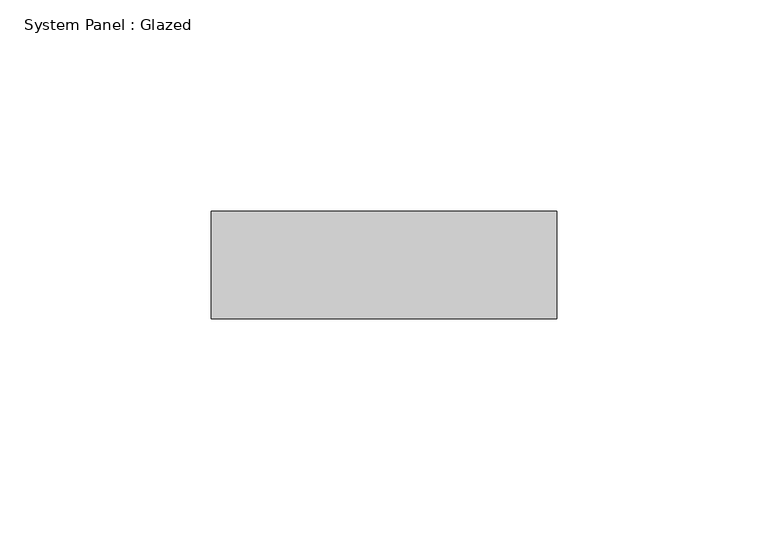
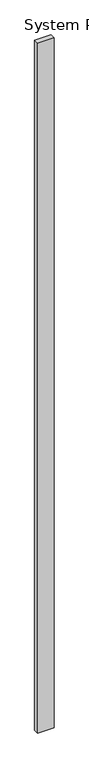
"""IFC4 building model written with IfcOpenShell, lengths in millimetres: plate geometry, System Panel : Glazed."""

from ifc_helpers import new_model, si_unit, origin, origin_with_axes, place, context, project, spatial, polyline, outline, extrude, source, transform, mapped, element, save


def system_panel_glazed_85844b9a(model_context):
    return source(origin(), model_context, "Body", "SweptSolid", [
        extrude(outline(polyline([(40.8354568, 19.05), (-40.8354568, 19.05), (-40.8354568, 44.45), (40.8354568, 44.45), (40.8354568, 19.05)])), origin_with_axes(), (0.0, 0.0, 1.0), 3657.6),
    ])


if __name__ == "__main__":
    model = new_model("IFC4")
    model_context = context("Model", 3, world=origin())
    ifc_project = project(units=[si_unit("LENGTHUNIT", "METRE", prefix="MILLI")], contexts=[model_context])
    site = spatial("IfcSite", under=ifc_project)
    building = spatial("IfcBuilding", under=site)
    placement = place(None, origin())
    system_panel_glazed_shape = system_panel_glazed_85844b9a(model_context)
    element("IfcPlate", 1, ObjectType="System Panel : Glazed", at=placement, inside=building, context=model_context, shape_type="MappedRepresentation", body=[
        mapped(system_panel_glazed_shape, transform((0.0, 0.0, 0.0), x_axis=(1.0, 0.0, 0.0), y_axis=(0.0, 1.0, 0.0), z_axis=(0.0, 0.0, 1.0))),
    ])
    save(model, "model.ifc")
